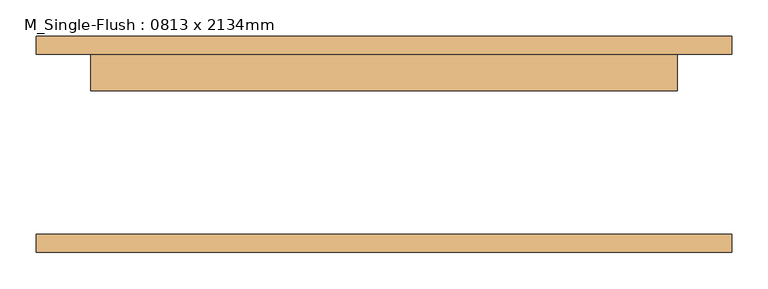
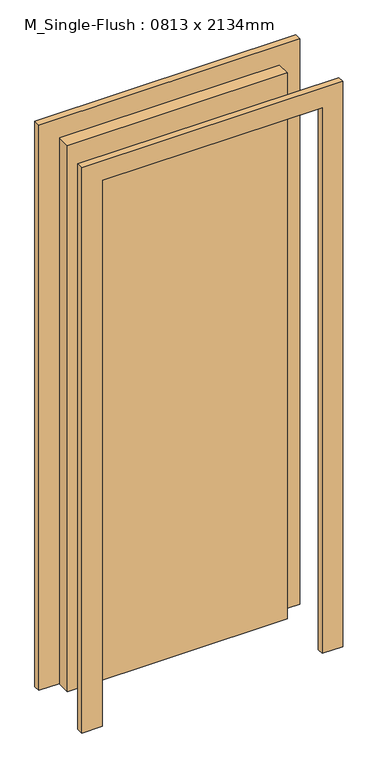
"""IFC4 building model written with IfcOpenShell, lengths in millimetres: door geometry, M_Single-Flush : 0813 x 2134mm."""

from ifc_helpers import new_model, si_unit, frame, origin, origin_with_axes, place, context, project, spatial, polyline, outline, extrude, source, transform, mapped, element, save


def m_single_flush_0813_x_2134mm_bd733506(model_context):
    return source(origin(), model_context, "Body", "SweptSolid", [
        extrude(outline(polyline([(2210.0, -482.5), (0.0, -482.5), (0.0, -406.5), (2134.0, -406.5), (2134.0, 406.5), (0.0, 406.5), (0.0, 482.5), (2210.0, 482.5), (2210.0, -482.5)])), frame((0.0, 125.0, 0.0), z_axis=(0.0, 1.0, 0.0), x_axis=(0.0, 0.0, 1.0)), (0.0, 0.0, 1.0), 25.0),
        extrude(outline(polyline([(2210.0, 482.5), (2210.0, -482.5), (0.0, -482.5), (0.0, -406.5), (2134.0, -406.5), (2134.0, 406.5), (0.0, 406.5), (0.0, 482.5), (2210.0, 482.5)])), frame((0.0, -150.0, 0.0), z_axis=(0.0, 1.0, 0.0), x_axis=(0.0, 0.0, 1.0)), (0.0, 0.0, 1.0), 25.0),
        extrude(outline(polyline([(406.5, 74.0), (-406.5, 74.0), (-406.5, 125.0), (406.5, 125.0), (406.5, 74.0)])), origin_with_axes(), (0.0, 0.0, 1.0), 2134.0),
    ])


if __name__ == "__main__":
    model = new_model("IFC4")
    model_context = context("Model", 3, world=origin())
    ifc_project = project(units=[si_unit("LENGTHUNIT", "METRE", prefix="MILLI")], contexts=[model_context])
    site = spatial("IfcSite", under=ifc_project)
    building = spatial("IfcBuilding", under=site)
    placement = place(None, origin())
    m_single_flush_0813_x_2134mm_shape = m_single_flush_0813_x_2134mm_bd733506(model_context)
    element("IfcDoor", 1, ObjectType="M_Single-Flush : 0813 x 2134mm", at=placement, inside=building, context=model_context, shape_type="MappedRepresentation", body=[
        mapped(m_single_flush_0813_x_2134mm_shape, transform((0.0, 0.0, 0.0), x_axis=(1.0, 0.0, 0.0), y_axis=(0.0, 1.0, 0.0), z_axis=(0.0, 0.0, 1.0))),
    ])
    save(model, "model.ifc")
